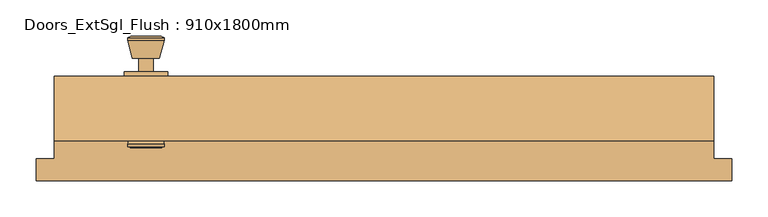
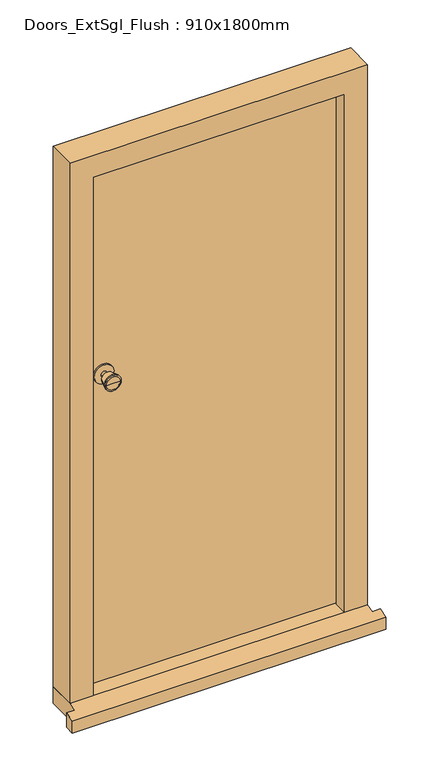
"""IFC4 building model written with IfcOpenShell, lengths in millimetres: door geometry, Doors_ExtSgl_Flush : 910x1800mm."""

from ifc_helpers import new_model, si_unit, point, frame, frame_2d, origin, place, context, project, spatial, polyline, circle_curve, trimmed, segment, composite_curve, outline, extrude, faceted_brep, source, transform, mapped, element, save
from ifc_brep_helpers import plane_surface, cylinder_surface, revolved_surface, advanced_brep


def doors_extsgl_flush_910x1800mm_0890612b(model_context):
    return source(origin(), model_context, "Body", "SolidModel", [
        advanced_brep(
        [(-328.5, 70.0, 1050.0), (-338.5, 70.0, 1050.0), (-318.5, 70.0, 1050.0), (-308.0241324, 119.0, 1050.0), (-348.9758676, 119.0, 1050.0), (-328.5, 119.0, 1050.0), (-303.5, 117.1721319, 1050.0), (-353.5, 117.1721319, 1050.0), (-303.5, 113.7084537, 1050.0), (-353.5, 113.7084537, 1050.0), (-309.863764, 89.0, 1050.0), (-347.136236, 89.0, 1050.0), (-318.5, 89.0, 1050.0), (-338.5, 89.0, 1050.0)],
        [
            (0, 1),
            (1, 2, circle_curve(frame((-328.5, 70.0, 1050.0), z_axis=(0.0, -1.0, 0.0), x_axis=(-1.0, 0.0, 0.0)), 10.0)),
            (2, 0),
            (2, 1, circle_curve(frame((-328.5, 70.0, 1050.0), z_axis=(0.0, -1.0, 0.0), x_axis=(-1.0, 0.0, 0.0)), 10.0)),
            (3, 4, circle_curve(frame((-328.5, 119.0, 1050.0), z_axis=(0.0, 1.0, 0.0), x_axis=(-1.0, 0.0, 0.0)), 20.4758676)),
            (4, 5),
            (5, 3),
            (4, 3, circle_curve(frame((-328.5, 119.0, 1050.0), z_axis=(0.0, 1.0, 0.0), x_axis=(-1.0, 0.0, 0.0)), 20.4758676)),
            (6, 7, circle_curve(frame((-328.5, 117.1721319, 1050.0), z_axis=(0.0, 1.0, 0.0), x_axis=(-1.0, 0.0, 0.0)), 25.0)),
            (7, 4),
            (3, 6),
            (7, 6, circle_curve(frame((-328.5, 117.1721319, 1050.0), z_axis=(0.0, 1.0, 0.0), x_axis=(-1.0, 0.0, 0.0)), 25.0)),
            (8, 9, circle_curve(frame((-328.5, 113.7084537, 1050.0), z_axis=(0.0, 1.0, 0.0), x_axis=(-1.0, 0.0, 0.0)), 25.0)),
            (9, 7),
            (6, 8),
            (9, 8, circle_curve(frame((-328.5, 113.7084537, 1050.0), z_axis=(0.0, 1.0, 0.0), x_axis=(-1.0, 0.0, 0.0)), 25.0)),
            (10, 11, circle_curve(frame((-328.5, 89.0, 1050.0), z_axis=(0.0, 1.0, 0.0), x_axis=(-1.0, 0.0, 0.0)), 18.636236)),
            (11, 9),
            (8, 10),
            (11, 10, circle_curve(frame((-328.5, 89.0, 1050.0), z_axis=(0.0, 1.0, 0.0), x_axis=(-1.0, 0.0, 0.0)), 18.636236)),
            (12, 13, circle_curve(frame((-328.5, 89.0, 1050.0), z_axis=(0.0, 1.0, 0.0), x_axis=(-1.0, 0.0, 0.0)), 10.0)),
            (13, 11),
            (10, 12),
            (13, 12, circle_curve(frame((-328.5, 89.0, 1050.0), z_axis=(0.0, 1.0, 0.0), x_axis=(-1.0, 0.0, 0.0)), 10.0)),
            (1, 13),
            (12, 2),
        ],
        [
            plane_surface(frame((-328.5, 70.0, 1050.0), z_axis=(0.0, -1.0, 0.0), x_axis=(-1.0, 0.0, 0.0))),
            plane_surface(frame((-328.5, 119.0, 1050.0), z_axis=(0.0, 1.0, 0.0), x_axis=(-1.0, 0.0, 0.0))),
            revolved_surface(polyline([(-348.9758676, 119.0, 1050.0), (-353.5, 117.1721319, 1050.0)]), (-328.5, 70.0, 1050.0), (0.0, -1.0, 0.0)),
            cylinder_surface(frame((-328.5, 70.0, 1050.0), z_axis=(0.0, -1.0, 0.0), x_axis=(-1.0, 0.0, 0.0)), 25.0),
            revolved_surface(polyline([(-353.5, 113.7084537, 1050.0), (-347.136236, 89.0, 1050.0)]), (-328.5, 70.0, 1050.0), (0.0, -1.0, 0.0)),
            plane_surface(frame((-328.5, 89.0, 1050.0), z_axis=(0.0, -1.0, 0.0), x_axis=(-1.0, 0.0, 0.0))),
            cylinder_surface(frame((-328.5, 70.0, 1050.0), z_axis=(0.0, -1.0, 0.0), x_axis=(-1.0, 0.0, 0.0)), 10.0),
        ],
        [
            (0, [[1, 2, 3]]),
            (0, [[-3, 4, -1]]),
            (1, [[5, 6, 7]]),
            (1, [[8, -7, -6]]),
            (2, [[9, 10, -5, 11]]),
            (2, [[12, -11, -8, -10]]),
            (3, [[13, 14, -9, 15]]),
            (3, [[16, -15, -12, -14]]),
            (4, [[17, 18, -13, 19]]),
            (4, [[20, -19, -16, -18]]),
            (5, [[21, 22, -17, 23]]),
            (5, [[24, -23, -20, -22]]),
            (6, [[-2, 25, -21, 26]]),
            (6, [[-4, -26, -24, -25]]),
        ],
    ),
        extrude(outline(composite_curve([segment(trimmed(circle_curve(frame_2d((1050.0, -328.5)), 30.0), [point((1050.0, -358.5))], [point((1050.0, -298.5))], False, "CARTESIAN"), True, "CONTINUOUS"), segment(trimmed(circle_curve(frame_2d((1050.0, -328.5)), 30.0), [point((1050.0, -298.5))], [point((1050.0, -358.5))], False, "CARTESIAN"), True, "CONTINUOUS")], self_intersect=False)), frame((0.0, 64.0, 0.0), z_axis=(0.0, 1.0, 0.0), x_axis=(0.0, 0.0, 1.0)), (0.0, 0.0, 1.0), 6.0),
        advanced_brep(
        [(-328.5, 14.0, 1050.0), (-318.5, 14.0, 1050.0), (-338.5, 14.0, 1050.0), (-308.0241324, -35.0, 1050.0), (-328.5, -35.0, 1050.0), (-348.9758676, -35.0, 1050.0), (-303.5, -33.1721319, 1050.0), (-353.5, -33.1721319, 1050.0), (-303.5, -29.7084537, 1050.0), (-353.5, -29.7084537, 1050.0), (-309.863764, -5.0, 1050.0), (-347.136236, -5.0, 1050.0), (-318.5, -5.0, 1050.0), (-338.5, -5.0, 1050.0)],
        [
            (0, 1),
            (1, 2, circle_curve(frame((-328.5, 14.0, 1050.0), z_axis=(0.0, 1.0, 0.0), x_axis=(-1.0, 0.0, 0.0)), 10.0)),
            (2, 0),
            (2, 1, circle_curve(frame((-328.5, 14.0, 1050.0), z_axis=(0.0, 1.0, 0.0), x_axis=(-1.0, 0.0, 0.0)), 10.0)),
            (3, 4),
            (4, 5),
            (5, 3, circle_curve(frame((-328.5, -35.0, 1050.0), z_axis=(0.0, -1.0, 0.0), x_axis=(-1.0, 0.0, 0.0)), 20.4758676)),
            (3, 5, circle_curve(frame((-328.5, -35.0, 1050.0), z_axis=(0.0, -1.0, 0.0), x_axis=(-1.0, 0.0, 0.0)), 20.4758676)),
            (6, 3),
            (5, 7),
            (7, 6, circle_curve(frame((-328.5, -33.1721319, 1050.0), z_axis=(0.0, -1.0, 0.0), x_axis=(-1.0, 0.0, 0.0)), 25.0)),
            (6, 7, circle_curve(frame((-328.5, -33.1721319, 1050.0), z_axis=(0.0, -1.0, 0.0), x_axis=(-1.0, 0.0, 0.0)), 25.0)),
            (8, 6),
            (7, 9),
            (9, 8, circle_curve(frame((-328.5, -29.7084537, 1050.0), z_axis=(0.0, -1.0, 0.0), x_axis=(-1.0, 0.0, 0.0)), 25.0)),
            (8, 9, circle_curve(frame((-328.5, -29.7084537, 1050.0), z_axis=(0.0, -1.0, 0.0), x_axis=(-1.0, 0.0, 0.0)), 25.0)),
            (10, 8),
            (9, 11),
            (11, 10, circle_curve(frame((-328.5, -5.0, 1050.0), z_axis=(0.0, -1.0, 0.0), x_axis=(-1.0, 0.0, 0.0)), 18.636236)),
            (10, 11, circle_curve(frame((-328.5, -5.0, 1050.0), z_axis=(0.0, -1.0, 0.0), x_axis=(-1.0, 0.0, 0.0)), 18.636236)),
            (12, 10),
            (11, 13),
            (13, 12, circle_curve(frame((-328.5, -5.0, 1050.0), z_axis=(0.0, -1.0, 0.0), x_axis=(-1.0, 0.0, 0.0)), 10.0)),
            (12, 13, circle_curve(frame((-328.5, -5.0, 1050.0), z_axis=(0.0, -1.0, 0.0), x_axis=(-1.0, 0.0, 0.0)), 10.0)),
            (1, 12),
            (13, 2),
        ],
        [
            plane_surface(frame((-328.5, 14.0, 1050.0), z_axis=(0.0, 1.0, 0.0), x_axis=(-1.0, 0.0, 0.0))),
            plane_surface(frame((-328.5, -35.0, 1050.0), z_axis=(0.0, -1.0, 0.0), x_axis=(-1.0, 0.0, 0.0))),
            revolved_surface(polyline([(-348.9758676, -35.0, 1050.0), (-353.5, -33.1721319, 1050.0)]), (-328.5, 14.0, 1050.0), (0.0, 1.0, 0.0)),
            cylinder_surface(frame((-328.5, 14.0, 1050.0), z_axis=(0.0, 1.0, 0.0), x_axis=(-1.0, 0.0, 0.0)), 25.0),
            revolved_surface(polyline([(-353.5, -29.7084537, 1050.0), (-347.136236, -5.0, 1050.0)]), (-328.5, 14.0, 1050.0), (0.0, 1.0, 0.0)),
            plane_surface(frame((-328.5, -5.0, 1050.0), z_axis=(0.0, 1.0, 0.0), x_axis=(-1.0, 0.0, 0.0))),
            cylinder_surface(frame((-328.5, 14.0, 1050.0), z_axis=(0.0, 1.0, 0.0), x_axis=(-1.0, 0.0, 0.0)), 10.0),
        ],
        [
            (0, [[1, 2, 3]]),
            (0, [[-3, 4, -1]]),
            (1, [[5, 6, 7]]),
            (1, [[-6, -5, 8]]),
            (2, [[9, -7, 10, 11]]),
            (2, [[-10, -8, -9, 12]]),
            (3, [[13, -11, 14, 15]]),
            (3, [[-14, -12, -13, 16]]),
            (4, [[17, -15, 18, 19]]),
            (4, [[-18, -16, -17, 20]]),
            (5, [[21, -19, 22, 23]]),
            (5, [[-22, -20, -21, 24]]),
            (6, [[25, -23, 26, -2]]),
            (6, [[-26, -24, -25, -4]]),
        ],
    ),
        extrude(outline(composite_curve([segment(trimmed(circle_curve(frame_2d((1050.0, -328.5)), 30.0), [point((1050.0, -358.5))], [point((1050.0, -298.5))], False, "CARTESIAN"), True, "CONTINUOUS"), segment(trimmed(circle_curve(frame_2d((1050.0, -328.5)), 30.0), [point((1050.0, -298.5))], [point((1050.0, -358.5))], False, "CARTESIAN"), True, "CONTINUOUS")], self_intersect=False)), frame((0.0, 14.0, 0.0), z_axis=(0.0, 1.0, 0.0), x_axis=(0.0, 0.0, 1.0)), (0.0, 0.0, 1.0), 6.0),
        faceted_brep([(384.5, -25.0, 54.5), (384.5, 17.0, 54.5), (406.5, 17.0, 54.5), (406.5, 64.0, 54.5), (455.0, 64.0, 54.5), (455.0, -25.0, 54.5), (455.0, -25.0, 1800.0), (-455.0, -25.0, 1800.0), (-455.0, -25.0, 54.5), (-384.5, -25.0, 54.5), (-384.5, -25.0, 1729.5), (384.5, -25.0, 1729.5), (455.0, 64.0, 1800.0), (406.5, 64.0, 1751.5), (-406.5, 64.0, 1751.5), (-406.5, 64.0, 54.5), (-455.0, 64.0, 54.5), (-455.0, 64.0, 1800.0), (406.5, 17.0, 1751.5), (384.5, 17.0, 1729.5), (-384.5, 17.0, 1729.5), (-384.5, 17.0, 54.5), (-406.5, 17.0, 54.5), (-406.5, 17.0, 1751.5)], [[[0, 1, 2, 3, 4, 5]], [[5, 6, 7, 8, 9, 10, 11, 0]], [[4, 12, 6, 5]], [[3, 13, 14, 15, 16, 17, 12, 4]], [[2, 18, 13, 3]], [[1, 19, 20, 21, 22, 23, 18, 2]], [[0, 11, 19, 1]], [[10, 9, 21, 20]], [[9, 8, 16, 15, 22, 21]], [[17, 16, 8, 7]], [[23, 22, 15, 14]], [[12, 17, 7, 6]], [[18, 23, 14, 13]], [[11, 10, 20, 19]]]),
        faceted_brep([(480.0, -80.0, 0.0), (480.0, -50.0, 0.0), (480.0, -50.0, 47.2703282), (480.0, -80.0, 38.5947221), (-480.0, -80.0, 38.5947221), (-480.0, -50.0, 47.2703282), (-480.0, -50.0, 0.0), (-480.0, -80.0, 0.0), (-455.0, -50.0, 0.0), (-455.0, 64.0, 0.0), (455.0, 64.0, 0.0), (455.0, -50.0, 0.0), (455.0, -50.0, 47.2703282), (455.0, -25.0, 54.5), (-455.0, -25.0, 54.5), (-455.0, -50.0, 47.2703282), (455.0, 64.0, 54.5), (-455.0, 64.0, 54.5)], [[[0, 1, 2, 3]], [[4, 5, 6, 7]], [[7, 6, 8, 9, 10, 11, 1, 0]], [[3, 4, 7, 0]], [[3, 2, 12, 13, 14, 15, 5, 4]], [[14, 13, 16, 17]], [[17, 16, 10, 9]], [[15, 14, 17, 9, 8]], [[8, 6, 5, 15]], [[11, 10, 16, 13, 12]], [[12, 2, 1, 11]]]),
        extrude(outline(polyline([(403.5, 64.0), (403.5, 20.0), (-404.4250294, 20.0), (-404.4250294, 64.0), (403.5, 64.0)])), frame((0.0, 0.0, 58.5), z_axis=(0.0, 0.0, 1.0), x_axis=(1.0, 0.0, 0.0)), (0.0, 0.0, 1.0), 1690.0),
    ])


if __name__ == "__main__":
    model = new_model("IFC4")
    model_context = context("Model", 3, world=origin())
    ifc_project = project(units=[si_unit("LENGTHUNIT", "METRE", prefix="MILLI")], contexts=[model_context])
    site = spatial("IfcSite", under=ifc_project)
    building = spatial("IfcBuilding", under=site)
    placement = place(None, origin())
    doors_extsgl_flush_910x1800mm_shape = doors_extsgl_flush_910x1800mm_0890612b(model_context)
    element("IfcDoor", 1, ObjectType="Doors_ExtSgl_Flush : 910x1800mm", at=placement, inside=building, context=model_context, shape_type="MappedRepresentation", body=[
        mapped(doors_extsgl_flush_910x1800mm_shape, transform((0.0, 0.0, 0.0), x_axis=(1.0, 0.0, 0.0), y_axis=(0.0, 1.0, 0.0), z_axis=(0.0, 0.0, 1.0))),
    ])
    save(model, "model.ifc")
